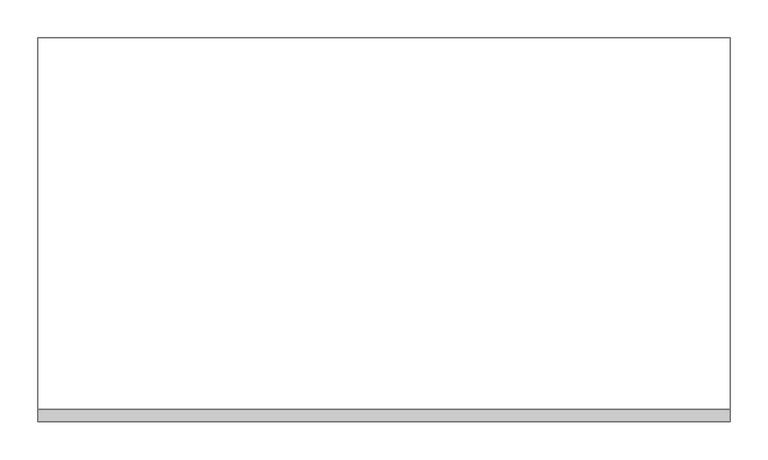
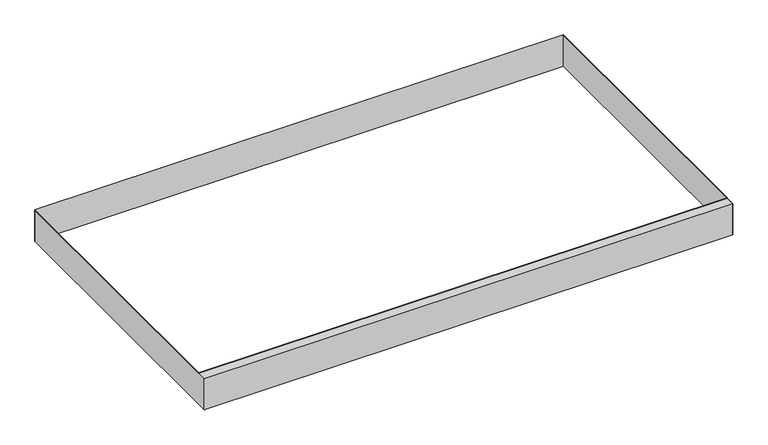
"""IFC4 building model written with IfcOpenShell, lengths in millimetres: furniture geometry."""

from ifc_helpers import new_model, si_unit, origin, place, context, project, spatial, triangles, source, transform, mapped, element, save


def furniture_24f2f24a(model_context):
    return source(origin(), model_context, "Body", "Tessellation", [
        triangles([(914.4, -491.3375965, 57.15), (914.4, -491.3375965, 56.3562485), (914.4, 0.0, 56.3562485), (914.4, 0.0, 57.15), (0.0, -491.3375965, 57.15), (0.0, -491.3375965, 56.3245008), (0.0, 0.0, 56.3245008), (0.0, 0.0, 57.15)], [[1, 2, 3], [1, 3, 4], [5, 6, 7], [5, 7, 8], [1, 2, 6], [1, 6, 5]], closed=False),
        triangles([(0.0, 0.0, 57.15), (914.4, 0.0, 57.15), (914.4, 0.0, 0.0), (0.0, 0.0, 0.0), (914.4, -507.9999879, 56.3562485), (914.4, 0.0, 56.3562485), (914.4, -507.9999879, 0.0), (0.0, -507.9999879, 56.3245008), (0.0, 0.0, 56.3245008), (0.0, -507.9999879, 0.0), (914.4, -491.3375965, 56.3562485), (0.0, -491.3375965, 56.3562485)], [[1, 2, 3], [1, 3, 4], [5, 6, 3], [5, 3, 7], [8, 9, 4], [8, 4, 10], [10, 8, 5], [10, 5, 7], [5, 11, 12], [5, 12, 8]], closed=False),
    ])


if __name__ == "__main__":
    model = new_model("IFC4")
    model_context = context("Model", 3, world=origin())
    ifc_project = project(units=[si_unit("LENGTHUNIT", "METRE", prefix="MILLI")], contexts=[model_context])
    site = spatial("IfcSite", under=ifc_project)
    building = spatial("IfcBuilding", under=site)
    placement = place(None, origin())
    furniture_shape = furniture_24f2f24a(model_context)
    element("IfcFurniture", 1, at=placement, inside=building, context=model_context, shape_type="MappedRepresentation", body=[
        mapped(furniture_shape, transform((0.0, 0.0, 0.0), x_axis=(1.0, 0.0, 0.0), y_axis=(0.0, 1.0, 0.0), z_axis=(0.0, 0.0, 1.0))),
    ])
    save(model, "model.ifc")
